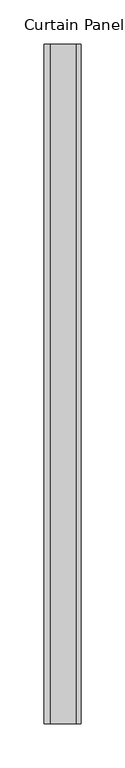
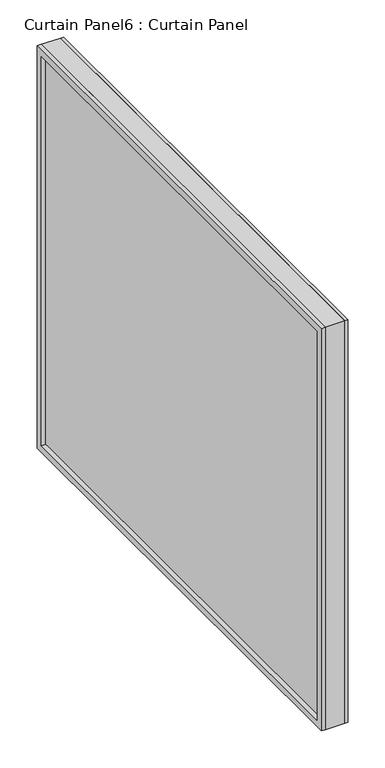
"""IFC4 building model written with IfcOpenShell, lengths in millimetres: plate geometry, Curtain Panel6 : Curtain Panel."""

from ifc_helpers import new_model, si_unit, frame, origin, place, context, project, spatial, polyline, outline, extrude, source, transform, mapped, element, save


def curtain_panel6_curtain_panel_9c8a9a25(model_context):
    return source(origin(), model_context, "Body", "SweptSolid", [
        extrude(outline(polyline([(-19463.8073778, -51.2305969), (-20232.100174, -51.2305969), (-20232.100174, 612.1223699), (-19463.8073778, 612.1223699), (-19463.8073778, -51.2305969)]), holes=[polyline([(-19474.9198778, 601.0098699), (-20220.987674, 601.0098699), (-20220.987674, -40.1180969), (-19474.9198778, -40.1180969), (-19474.9198778, 601.0098699)])]), frame((12059.927955, 0.0, 0.0), z_axis=(1.0, 0.0, 0.0), x_axis=(0.0, 1.0, 0.0)), (0.0, 0.0, 1.0), 4.7694017),
        extrude(outline(polyline([(-19463.8073778, -51.2305969), (-20232.100174, -51.2305969), (-20232.100174, 612.1223699), (-19463.8073778, 612.1223699), (-19463.8073778, -51.2305969)]), holes=[polyline([(-19474.9198778, 601.0098699), (-20220.987674, 601.0098699), (-20220.987674, -40.1180969), (-19474.9198778, -40.1180969), (-19474.9198778, 601.0098699)])]), frame((12022.9911425, 0.0, 0.0), z_axis=(1.0, 0.0, 0.0), x_axis=(0.0, 1.0, 0.0)), (0.0, 0.0, 1.0), 6.8433016),
        extrude(outline(polyline([(12029.8344441, -20232.100174), (12029.8344441, -19463.8073778), (12059.7409534, -19463.8073778), (12059.7409534, -20232.100174), (12029.8344441, -20232.100174)])), frame((0.0, 0.0, -51.2305969), z_axis=(0.0, 0.0, 1.0), x_axis=(1.0, 0.0, 0.0)), (0.0, 0.0, 1.0), 663.3529668),
    ])


if __name__ == "__main__":
    model = new_model("IFC4")
    model_context = context("Model", 3, world=origin())
    ifc_project = project(units=[si_unit("LENGTHUNIT", "METRE", prefix="MILLI")], contexts=[model_context])
    site = spatial("IfcSite", under=ifc_project)
    building = spatial("IfcBuilding", under=site)
    placement = place(None, origin())
    curtain_panel6_curtain_panel_shape = curtain_panel6_curtain_panel_9c8a9a25(model_context)
    element("IfcPlate", 1, ObjectType="Curtain Panel6 : Curtain Panel", at=placement, inside=building, context=model_context, shape_type="MappedRepresentation", body=[
        mapped(curtain_panel6_curtain_panel_shape, transform((0.0, 0.0, 0.0), x_axis=(1.0, 0.0, 0.0), y_axis=(0.0, 1.0, 0.0), z_axis=(0.0, 0.0, 1.0))),
    ])
    save(model, "model.ifc")
